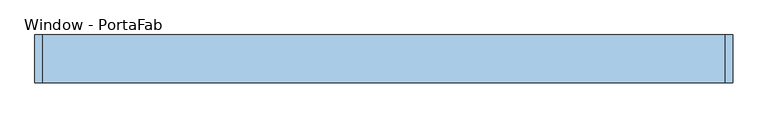
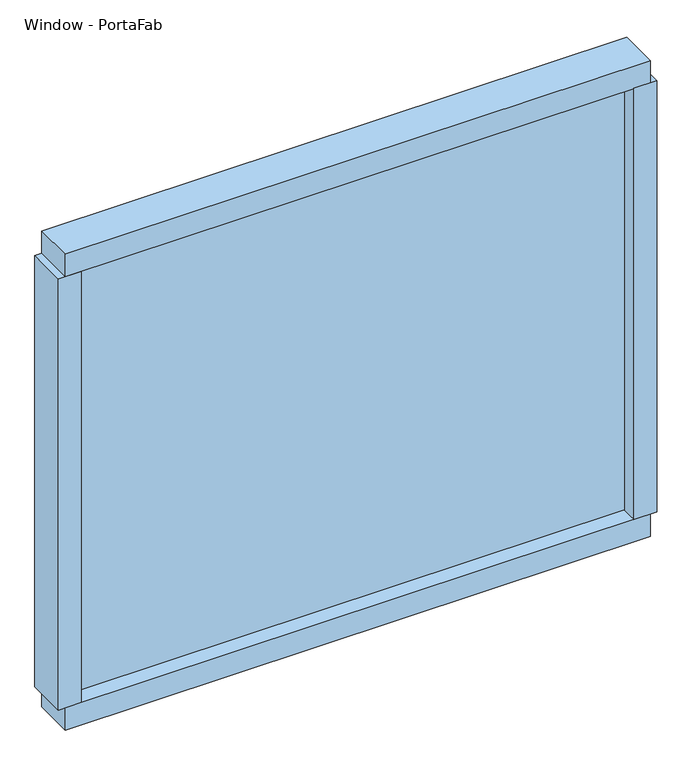
"""IFC4 building model written with IfcOpenShell, lengths in millimetres: window geometry, Window - PortaFab."""

from ifc_helpers import new_model, si_unit, frame, origin, place, context, project, spatial, polyline, outline, extrude, source, transform, mapped, element, save


def window_portafab_69a648d0(model_context):
    return source(origin(), model_context, "Body", "SweptSolid", [
        extrude(outline(polyline([(528.6375, -6.35), (-503.2375, -6.35), (-503.2375, 0.0), (528.6375, 0.0), (528.6375, -6.35)])), frame((0.0, 0.0, 1104.9), z_axis=(0.0, 0.0, 1.0), x_axis=(1.0, 0.0, 0.0)), (0.0, 0.0, 1.0), 850.9),
        extrude(outline(polyline([(571.5, -38.1), (528.6375, -38.1), (528.6375, 38.1), (571.5, 38.1), (571.5, -38.1)])), frame((0.0, 0.0, 1104.9), z_axis=(0.0, 0.0, 1.0), x_axis=(1.0, 0.0, 0.0)), (0.0, 0.0, 1.0), 850.9),
        extrude(outline(polyline([(-503.2375, -38.1), (-546.1, -38.1), (-546.1, 38.1), (-503.2375, 38.1), (-503.2375, -38.1)])), frame((0.0, 0.0, 1104.9), z_axis=(0.0, 0.0, 1.0), x_axis=(1.0, 0.0, 0.0)), (0.0, 0.0, 1.0), 850.9),
        extrude(outline(polyline([(558.8, -38.1), (-533.4, -38.1), (-533.4, 38.1), (558.8, 38.1), (558.8, -38.1)])), frame((0.0, 0.0, 1060.45), z_axis=(0.0, 0.0, 1.0), x_axis=(1.0, 0.0, 0.0)), (0.0, 0.0, 1.0), 44.45),
        extrude(outline(polyline([(558.8, -38.1), (-533.4, -38.1), (-533.4, 38.1), (558.8, 38.1), (558.8, -38.1)])), frame((0.0, 0.0, 1955.8), z_axis=(0.0, 0.0, 1.0), x_axis=(1.0, 0.0, 0.0)), (0.0, 0.0, 1.0), 44.45),
    ])


if __name__ == "__main__":
    model = new_model("IFC4")
    model_context = context("Model", 3, world=origin())
    ifc_project = project(units=[si_unit("LENGTHUNIT", "METRE", prefix="MILLI")], contexts=[model_context])
    site = spatial("IfcSite", under=ifc_project)
    building = spatial("IfcBuilding", under=site)
    placement = place(None, origin())
    window_portafab_shape = window_portafab_69a648d0(model_context)
    element("IfcWindow", 1, ObjectType="Window - PortaFab", at=placement, inside=building, context=model_context, shape_type="MappedRepresentation", body=[
        mapped(window_portafab_shape, transform((0.0, 0.0, 0.0), x_axis=(1.0, 0.0, 0.0), y_axis=(0.0, 1.0, 0.0), z_axis=(0.0, 0.0, 1.0))),
    ])
    save(model, "model.ifc")
